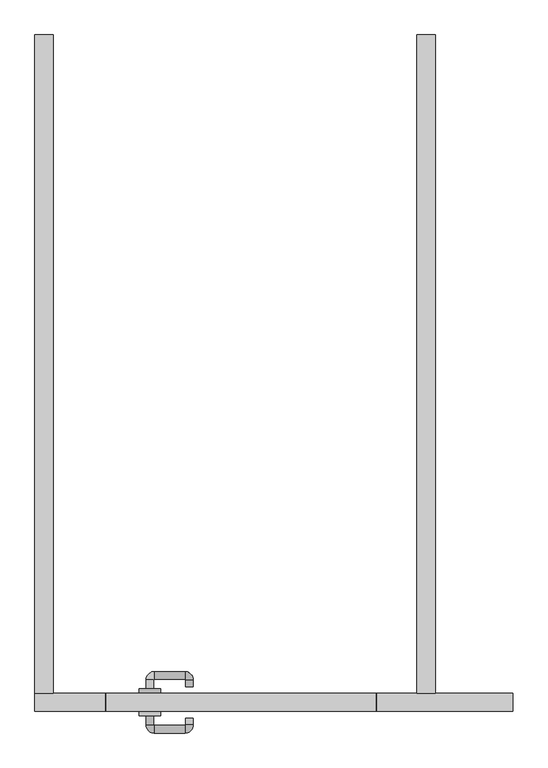
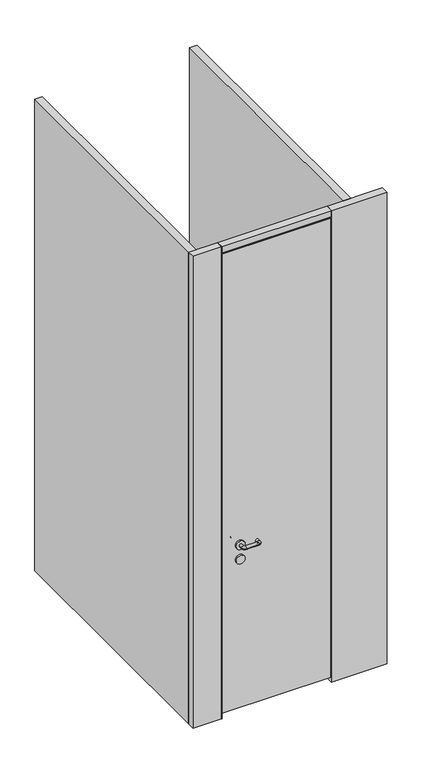
"""IFC4 building model written with IfcOpenShell, lengths in millimetres: proxy geometry."""

from ifc_helpers import new_model, si_unit, point, frame, frame_2d, origin, origin_with_axes, place, context, project, spatial, polyline, circle_curve, ellipse_curve, trimmed, segment, composite_curve, outline, extrude, source, transform, mapped, element, save
from ifc_brep_helpers import plane_surface, cylinder_surface, revolved_surface, advanced_brep


def specialty_equipment_dfb88789(model_context):
    return source(origin(), model_context, "Body", "SolidModel", [
        extrude(outline(composite_curve([segment(trimmed(circle_curve(frame_2d((914.8272444, -240.0)), 25.0), [point((914.8272444, -265.0))], [point((914.8272444, -215.0))], False, "CARTESIAN"), True, "CONTINUOUS"), segment(trimmed(circle_curve(frame_2d((914.8272444, -240.0)), 25.0), [point((914.8272444, -215.0))], [point((914.8272444, -265.0))], False, "CARTESIAN"), True, "CONTINUOUS")], self_intersect=False)), frame((0.0, 42.0, 0.0), z_axis=(0.0, 1.0, 0.0), x_axis=(0.0, 0.0, 1.0)), (0.0, 0.0, 1.0), 10.0),
        advanced_brep(
        [(-231.25, 52.0, 1000.0), (-248.75, 52.0, 1000.0), (-248.75, 72.0, 1000.0), (-231.25, 72.0, 1000.0), (-230.0, 73.25, 1000.0), (-230.0, 90.75, 1000.0), (-160.0, 90.75, 1000.0), (-160.0, 73.25, 1000.0), (-158.75, 72.0, 1000.0), (-141.25, 72.0, 1000.0), (-158.75, 57.0, 1000.0), (-141.25, 57.0, 1000.0)],
        [
            (0, 1, circle_curve(frame((-240.0, 52.0, 1000.0), z_axis=(0.0, -1.0, 0.0), x_axis=(-1.0, 0.0, 0.0)), 8.75)),
            (1, 0, circle_curve(frame((-240.0, 52.0, 1000.0), z_axis=(0.0, -1.0, 0.0), x_axis=(-1.0, 0.0, 0.0)), 8.75)),
            (1, 2),
            (2, 3, circle_curve(frame((-240.0, 72.0, 1000.0), z_axis=(0.0, -1.0, 0.0), x_axis=(-1.0, 0.0, 0.0)), 8.75)),
            (3, 0),
            (3, 2, circle_curve(frame((-240.0, 72.0, 1000.0), z_axis=(0.0, -1.0, 0.0), x_axis=(-1.0, 0.0, 0.0)), 8.75)),
            (4, 3, circle_curve(frame((-230.0, 72.0, 1000.0), z_axis=(0.0, 0.0, 1.0), x_axis=(-1.0, 0.0, 0.0)), 1.25)),
            (2, 5, circle_curve(frame((-230.0, 72.0, 1000.0), z_axis=(0.0, 0.0, -1.0), x_axis=(-1.0, 0.0, 0.0)), 18.75)),
            (5, 4, circle_curve(frame((-230.0, 82.0, 1000.0), z_axis=(-1.0, 0.0, 0.0), x_axis=(0.0, 1.0, 0.0)), 8.75)),
            (4, 5, circle_curve(frame((-230.0, 82.0, 1000.0), z_axis=(-1.0, 0.0, 0.0), x_axis=(0.0, 1.0, 0.0)), 8.75)),
            (5, 6),
            (6, 7, circle_curve(frame((-160.0, 82.0, 1000.0), z_axis=(-1.0, 0.0, 0.0), x_axis=(0.0, 1.0, 0.0)), 8.75)),
            (7, 4),
            (7, 6, circle_curve(frame((-160.0, 82.0, 1000.0), z_axis=(-1.0, 0.0, 0.0), x_axis=(0.0, 1.0, 0.0)), 8.75)),
            (8, 7, circle_curve(frame((-160.0, 72.0, 1000.0), z_axis=(0.0, 0.0, 1.0), x_axis=(0.0, 1.0, 0.0)), 1.25)),
            (6, 9, circle_curve(frame((-160.0, 72.0, 1000.0), z_axis=(0.0, 0.0, -1.0), x_axis=(0.0, 1.0, 0.0)), 18.75)),
            (9, 8, circle_curve(frame((-150.0, 72.0, 1000.0), z_axis=(0.0, 1.0, 0.0), x_axis=(1.0, 0.0, 0.0)), 8.75)),
            (8, 9, circle_curve(frame((-150.0, 72.0, 1000.0), z_axis=(0.0, 1.0, 0.0), x_axis=(1.0, 0.0, 0.0)), 8.75)),
            (10, 11, circle_curve(frame((-150.0, 57.0, 1000.0), z_axis=(0.0, -1.0, 0.0), x_axis=(1.0, 0.0, 0.0)), 8.75)),
            (11, 10, circle_curve(frame((-150.0, 57.0, 1000.0), z_axis=(0.0, -1.0, 0.0), x_axis=(1.0, 0.0, 0.0)), 8.75)),
            (9, 11),
            (10, 8),
        ],
        [
            plane_surface(frame((-240.0, 52.0, 1000.0), z_axis=(0.0, -1.0, 0.0), x_axis=(0.0, 0.0, 1.0))),
            cylinder_surface(frame((-240.0, 52.0, 1000.0), z_axis=(0.0, -1.0, 0.0), x_axis=(-1.0, 0.0, 0.0)), 8.75),
            revolved_surface(trimmed(ellipse_curve(frame((-240.0, 72.0, 1000.0), z_axis=(0.0, -1.0, 0.0), x_axis=(-1.0, 0.0, 0.0)), 8.75, 8.75), [point((-248.75, 72.0, 1000.0))], [point((-231.25, 72.0, 1000.0))], True, "CARTESIAN"), (-230.0, 72.0, 1000.0), (0.0, 0.0, -1.0)),
            revolved_surface(trimmed(ellipse_curve(frame((-240.0, 72.0, 1000.0), z_axis=(0.0, -1.0, 0.0), x_axis=(-1.0, 0.0, 0.0)), 8.75, 8.75), [point((-231.25, 72.0, 1000.0))], [point((-248.75, 72.0, 1000.0))], True, "CARTESIAN"), (-230.0, 72.0, 1000.0), (0.0, 0.0, -1.0)),
            cylinder_surface(frame((-230.0, 82.0, 1000.0), z_axis=(-1.0, 0.0, 0.0), x_axis=(0.0, 1.0, 0.0)), 8.75),
            revolved_surface(trimmed(ellipse_curve(frame((-160.0, 82.0, 1000.0), z_axis=(-1.0, 0.0, 0.0), x_axis=(0.0, 1.0, 0.0)), 8.75, 8.75), [point((-160.0, 90.75, 1000.0))], [point((-160.0, 73.25, 1000.0))], True, "CARTESIAN"), (-160.0, 72.0, 1000.0), (0.0, 0.0, -1.0)),
            revolved_surface(trimmed(ellipse_curve(frame((-160.0, 82.0, 1000.0), z_axis=(-1.0, 0.0, 0.0), x_axis=(0.0, 1.0, 0.0)), 8.75, 8.75), [point((-160.0, 73.25, 1000.0))], [point((-160.0, 90.75, 1000.0))], True, "CARTESIAN"), (-160.0, 72.0, 1000.0), (0.0, 0.0, -1.0)),
            plane_surface(frame((-150.0, 57.0, 1000.0), z_axis=(0.0, -1.0, 0.0), x_axis=(0.0, 0.0, 1.0))),
            cylinder_surface(frame((-150.0, 72.0, 1000.0), z_axis=(0.0, 1.0, 0.0), x_axis=(1.0, 0.0, 0.0)), 8.75),
        ],
        [
            (0, [[1, 2]]),
            (1, [[-2, 3, 4, 5]]),
            (1, [[-1, -5, 6, -3]]),
            (2, [[7, -4, 8, 9]]),
            (3, [[-8, -6, -7, 10]]),
            (4, [[-9, 11, 12, 13]]),
            (4, [[-10, -13, 14, -11]]),
            (5, [[15, -12, 16, 17]]),
            (6, [[-16, -14, -15, 18]]),
            (7, [[19, 20]]),
            (8, [[-17, 21, -19, 22]]),
            (8, [[-18, -22, -20, -21]]),
        ],
    ),
        extrude(outline(composite_curve([segment(trimmed(circle_curve(frame_2d((1000.0, -240.0)), 25.0), [point((1000.0, -265.0))], [point((1000.0, -215.0))], False, "CARTESIAN"), True, "CONTINUOUS"), segment(trimmed(circle_curve(frame_2d((1000.0, -240.0)), 25.0), [point((1000.0, -215.0))], [point((1000.0, -265.0))], False, "CARTESIAN"), True, "CONTINUOUS")], self_intersect=False)), frame((0.0, 42.0, 0.0), z_axis=(0.0, 1.0, 0.0), x_axis=(0.0, 0.0, 1.0)), (0.0, 0.0, 1.0), 10.0),
        extrude(outline(composite_curve([segment(trimmed(circle_curve(frame_2d((914.8272444, -240.0)), 25.0), [point((914.8272444, -265.0))], [point((914.8272444, -215.0))], False, "CARTESIAN"), True, "CONTINUOUS"), segment(trimmed(circle_curve(frame_2d((914.8272444, -240.0)), 25.0), [point((914.8272444, -215.0))], [point((914.8272444, -265.0))], False, "CARTESIAN"), True, "CONTINUOUS")], self_intersect=False)), frame((0.0, -10.0, 0.0), z_axis=(0.0, 1.0, 0.0), x_axis=(0.0, 0.0, 1.0)), (0.0, 0.0, 1.0), 10.0),
        advanced_brep(
        [(-248.75, -10.0, 1000.0), (-231.25, -10.0, 1000.0), (-248.75, -30.0, 1000.0), (-231.25, -30.0, 1000.0), (-230.0, -31.25, 1000.0), (-230.0, -48.75, 1000.0), (-160.0, -48.75, 1000.0), (-160.0, -31.25, 1000.0), (-158.75, -30.0, 1000.0), (-141.25, -30.0, 1000.0), (-141.25, -15.0, 1000.0), (-158.75, -15.0, 1000.0)],
        [
            (0, 1, circle_curve(frame((-240.0, -10.0, 1000.0), z_axis=(0.0, 1.0, 0.0), x_axis=(1.0, 0.0, 0.0)), 8.75)),
            (1, 0, circle_curve(frame((-240.0, -10.0, 1000.0), z_axis=(0.0, 1.0, 0.0), x_axis=(1.0, 0.0, 0.0)), 8.75)),
            (0, 2),
            (2, 3, circle_curve(frame((-240.0, -30.0, 1000.0), z_axis=(0.0, 1.0, 0.0), x_axis=(1.0, 0.0, 0.0)), 8.75)),
            (3, 1),
            (3, 2, circle_curve(frame((-240.0, -30.0, 1000.0), z_axis=(0.0, 1.0, 0.0), x_axis=(1.0, 0.0, 0.0)), 8.75)),
            (4, 3, circle_curve(frame((-230.0, -30.0, 1000.0), z_axis=(0.0, 0.0, -1.0), x_axis=(-1.0, 0.0, 0.0)), 1.25)),
            (2, 5, circle_curve(frame((-230.0, -30.0, 1000.0), z_axis=(0.0, 0.0, 1.0), x_axis=(-1.0, 0.0, 0.0)), 18.75)),
            (5, 4, circle_curve(frame((-230.0, -40.0, 1000.0), z_axis=(-1.0, 0.0, 0.0), x_axis=(0.0, 1.0, 0.0)), 8.75)),
            (4, 5, circle_curve(frame((-230.0, -40.0, 1000.0), z_axis=(-1.0, 0.0, 0.0), x_axis=(0.0, 1.0, 0.0)), 8.75)),
            (5, 6),
            (6, 7, circle_curve(frame((-160.0, -40.0, 1000.0), z_axis=(-1.0, 0.0, 0.0), x_axis=(0.0, 1.0, 0.0)), 8.75)),
            (7, 4),
            (7, 6, circle_curve(frame((-160.0, -40.0, 1000.0), z_axis=(-1.0, 0.0, 0.0), x_axis=(0.0, 1.0, 0.0)), 8.75)),
            (8, 7, circle_curve(frame((-160.0, -30.0, 1000.0), z_axis=(0.0, 0.0, -1.0), x_axis=(0.0, -1.0, 0.0)), 1.25)),
            (6, 9, circle_curve(frame((-160.0, -30.0, 1000.0), z_axis=(0.0, 0.0, 1.0), x_axis=(0.0, -1.0, 0.0)), 18.75)),
            (9, 8, circle_curve(frame((-150.0, -30.0, 1000.0), z_axis=(0.0, -1.0, 0.0), x_axis=(-1.0, 0.0, 0.0)), 8.75)),
            (8, 9, circle_curve(frame((-150.0, -30.0, 1000.0), z_axis=(0.0, -1.0, 0.0), x_axis=(-1.0, 0.0, 0.0)), 8.75)),
            (10, 11, circle_curve(frame((-150.0, -15.0, 1000.0), z_axis=(0.0, 1.0, 0.0), x_axis=(-1.0, 0.0, 0.0)), 8.75)),
            (11, 10, circle_curve(frame((-150.0, -15.0, 1000.0), z_axis=(0.0, 1.0, 0.0), x_axis=(-1.0, 0.0, 0.0)), 8.75)),
            (9, 10),
            (11, 8),
        ],
        [
            plane_surface(frame((-240.0, -10.0, 1000.0), z_axis=(0.0, 1.0, 0.0), x_axis=(0.0, 0.0, 1.0))),
            cylinder_surface(frame((-240.0, -10.0, 1000.0), z_axis=(0.0, 1.0, 0.0), x_axis=(1.0, 0.0, 0.0)), 8.75),
            revolved_surface(trimmed(ellipse_curve(frame((-240.0, -30.0, 1000.0), z_axis=(0.0, 1.0, 0.0), x_axis=(1.0, 0.0, 0.0)), 8.75, 8.75), [point((-248.75, -30.0, 1000.0))], [point((-231.25, -30.0, 1000.0))], True, "CARTESIAN"), (-230.0, -30.0, 1000.0), (0.0, 0.0, 1.0)),
            revolved_surface(trimmed(ellipse_curve(frame((-240.0, -30.0, 1000.0), z_axis=(0.0, 1.0, 0.0), x_axis=(1.0, 0.0, 0.0)), 8.75, 8.75), [point((-231.25, -30.0, 1000.0))], [point((-248.75, -30.0, 1000.0))], True, "CARTESIAN"), (-230.0, -30.0, 1000.0), (0.0, 0.0, 1.0)),
            cylinder_surface(frame((-230.0, -40.0, 1000.0), z_axis=(-1.0, 0.0, 0.0), x_axis=(0.0, 1.0, 0.0)), 8.75),
            revolved_surface(trimmed(ellipse_curve(frame((-160.0, -40.0, 1000.0), z_axis=(-1.0, 0.0, 0.0), x_axis=(0.0, 1.0, 0.0)), 8.75, 8.75), [point((-160.0, -48.75, 1000.0))], [point((-160.0, -31.25, 1000.0))], True, "CARTESIAN"), (-160.0, -30.0, 1000.0), (0.0, 0.0, 1.0)),
            revolved_surface(trimmed(ellipse_curve(frame((-160.0, -40.0, 1000.0), z_axis=(-1.0, 0.0, 0.0), x_axis=(0.0, 1.0, 0.0)), 8.75, 8.75), [point((-160.0, -31.25, 1000.0))], [point((-160.0, -48.75, 1000.0))], True, "CARTESIAN"), (-160.0, -30.0, 1000.0), (0.0, 0.0, 1.0)),
            plane_surface(frame((-150.0, -15.0, 1000.0), z_axis=(0.0, 1.0, 0.0), x_axis=(0.0, 0.0, 1.0))),
            cylinder_surface(frame((-150.0, -30.0, 1000.0), z_axis=(0.0, -1.0, 0.0), x_axis=(-1.0, 0.0, 0.0)), 8.75),
        ],
        [
            (0, [[1, 2]]),
            (1, [[-1, 3, 4, 5]]),
            (1, [[-2, -5, 6, -3]]),
            (2, [[7, -4, 8, 9]]),
            (3, [[-8, -6, -7, 10]]),
            (4, [[-9, 11, 12, 13]]),
            (4, [[-10, -13, 14, -11]]),
            (5, [[15, -12, 16, 17]]),
            (6, [[-16, -14, -15, 18]]),
            (7, [[19, 20]]),
            (8, [[-17, 21, -20, 22]]),
            (8, [[-18, -22, -19, -21]]),
        ],
    ),
        extrude(outline(composite_curve([segment(trimmed(circle_curve(frame_2d((1000.0, -240.0)), 25.0), [point((1000.0, -265.0))], [point((1000.0, -215.0))], False, "CARTESIAN"), True, "CONTINUOUS"), segment(trimmed(circle_curve(frame_2d((1000.0, -240.0)), 25.0), [point((1000.0, -215.0))], [point((1000.0, -265.0))], False, "CARTESIAN"), True, "CONTINUOUS")], self_intersect=False)), frame((0.0, -10.0, 0.0), z_axis=(0.0, 1.0, 0.0), x_axis=(0.0, 0.0, 1.0)), (0.0, 0.0, 1.0), 10.0),
        extrude(outline(polyline([(275.0, 0.0), (-340.0, 0.0), (-340.0, 42.0), (275.0, 42.0), (275.0, 0.0)])), frame((0.0, 0.0, 2762.0), z_axis=(0.0, 0.0, 1.0), x_axis=(1.0, 0.0, 0.0)), (0.0, 0.0, 1.0), 1.3),
        extrude(outline(polyline([(275.0, 0.0), (-340.0, 0.0), (-340.0, 42.0), (275.0, 42.0), (275.0, 0.0)])), frame((0.0, 0.0, 2763.3), z_axis=(0.0, 0.0, 1.0), x_axis=(1.0, 0.0, 0.0)), (0.0, 0.0, 1.0), 36.7),
        extrude(outline(polyline([(-338.7, 42.0), (-338.7, 0.0), (-340.0, 0.0), (-340.0, 42.0), (-338.7, 42.0)])), frame((0.0, 0.0, 30.0), z_axis=(0.0, 0.0, 1.0), x_axis=(1.0, 0.0, 0.0)), (0.0, 0.0, 1.0), 2724.5),
        extrude(outline(polyline([(273.7, 42.0), (275.0, 42.0), (275.0, 0.0), (273.7, 0.0), (273.7, 42.0)])), frame((0.0, 0.0, 30.0), z_axis=(0.0, 0.0, 1.0), x_axis=(1.0, 0.0, 0.0)), (0.0, 0.0, 1.0), 2724.5),
        extrude(outline(polyline([(273.7, 42.0), (273.7, 0.0), (-338.7, 0.0), (-338.7, 42.0), (273.7, 42.0)])), frame((0.0, 0.0, 30.0), z_axis=(0.0, 0.0, 1.0), x_axis=(1.0, 0.0, 0.0)), (0.0, 0.0, 1.0), 2724.5),
        extrude(outline(polyline([(-341.3, 42.0), (-340.0, 42.0), (-340.0, 0.0), (-341.3, 0.0), (-341.3, 42.0)])), origin_with_axes(), (0.0, 0.0, 1.0), 2800.0),
        extrude(outline(polyline([(276.3, 42.0), (276.3, 0.0), (275.0, 0.0), (275.0, 42.0), (276.3, 42.0)])), origin_with_axes(), (0.0, 0.0, 1.0), 2800.0),
        extrude(outline(polyline([(368.0, 42.0), (368.0, 1540.0), (410.0, 1540.0), (410.0, 42.0), (368.0, 42.0)])), origin_with_axes(), (0.0, 0.0, 1.0), 2800.0),
        extrude(outline(polyline([(587.0, 0.0), (276.3, 0.0), (276.3, 42.0), (587.0, 42.0), (587.0, 0.0)])), origin_with_axes(), (0.0, 0.0, 1.0), 2800.0),
        extrude(outline(polyline([(-460.0, 42.0), (-502.0, 42.0), (-502.0, 1540.0), (-460.0, 1540.0), (-460.0, 42.0)])), origin_with_axes(), (0.0, 0.0, 1.0), 2800.0),
        extrude(outline(polyline([(-502.0, 42.0), (-341.3, 42.0), (-341.3, 0.0), (-502.0, 0.0), (-502.0, 42.0)])), origin_with_axes(), (0.0, 0.0, 1.0), 2800.0),
    ])


if __name__ == "__main__":
    model = new_model("IFC4")
    model_context = context("Model", 3, world=origin())
    ifc_project = project(units=[si_unit("LENGTHUNIT", "METRE", prefix="MILLI")], contexts=[model_context])
    site = spatial("IfcSite", under=ifc_project)
    building = spatial("IfcBuilding", under=site)
    placement = place(None, origin())
    specialty_equipment_shape = specialty_equipment_dfb88789(model_context)
    element("IfcBuildingElementProxy", 1, Name="Specialty Equipment", at=placement, inside=building, context=model_context, shape_type="MappedRepresentation", body=[
        mapped(specialty_equipment_shape, transform((0.0, 0.0, 0.0), x_axis=(1.0, 0.0, 0.0), y_axis=(0.0, 1.0, 0.0), z_axis=(0.0, 0.0, 1.0))),
    ])
    save(model, "model.ifc")
